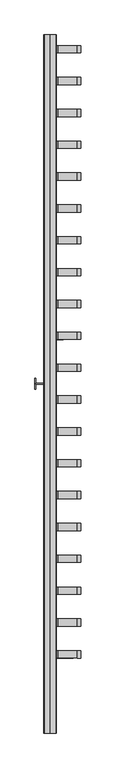
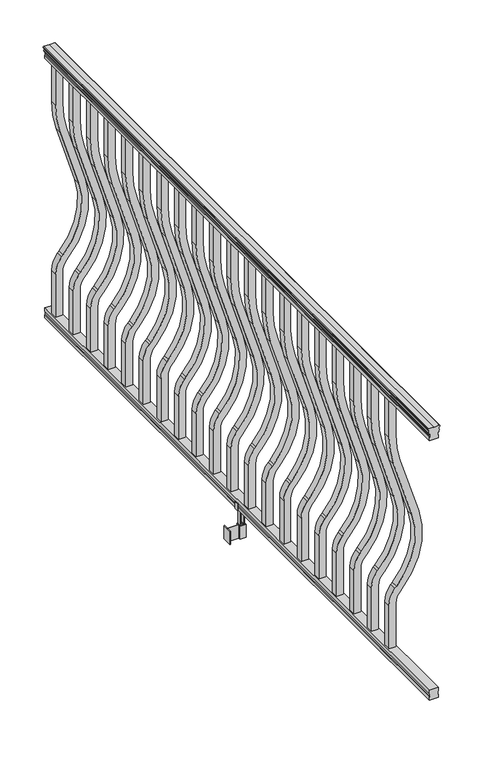
"""IFC4 building model written with IfcOpenShell, lengths in millimetres: railing geometry."""

from ifc_helpers import new_model, si_unit, point, frame, frame_2d, origin, place, context, project, spatial, polyline, circle_curve, trimmed, segment, composite_curve, outline, extrude, source, transform, mapped, element, save


def railing_6e9d0405(model_context):
    return source(origin(), model_context, "Body", "SweptSolid", [
        extrude(outline(composite_curve([segment(polyline([(1090.8043297, 3404.2080205), (1092.692412, 3404.2080205)]), True, "CONTINUOUS"), segment(trimmed(circle_curve(frame_2d((1098.4506383, 3397.8932672)), 8.545951), [point((1092.692412, 3404.2080205))], [point((1094.2546695, 3405.3382068))], False, "CARTESIAN"), True, "CONTINUOUS"), segment(trimmed(circle_curve(frame_2d((1097.8636577, 3398.3303302)), 7.882584), [point((1094.2546695, 3405.3382068))], [point((1101.4726458, 3405.3382068))], False, "CARTESIAN"), True, "CONTINUOUS"), segment(trimmed(circle_curve(frame_2d((1103.7112527, 3408.8436543)), 4.1592695), [point((1101.4726458, 3405.3382068))], [point((1103.9060812, 3404.6889504))], True, "CARTESIAN"), True, "CONTINUOUS"), segment(trimmed(circle_curve(frame_2d((1103.6508864, 3410.1309609)), 5.4479907), [point((1103.9060812, 3404.6889504))], [point((1108.2362083, 3407.1889504))], True, "CARTESIAN"), True, "CONTINUOUS"), segment(trimmed(circle_curve(frame_2d((1108.233395, 3408.8978025)), 1.7088543), [point((1108.2362083, 3407.1889504))], [point((1109.9157972, 3408.5982929))], True, "CARTESIAN"), True, "CONTINUOUS"), segment(trimmed(circle_curve(frame_2d((1111.0205318, 3407.2809024)), 1.7192895), [point((1109.9157972, 3408.5982929))], [point((1111.0205318, 3409.0001919))], False, "CARTESIAN"), True, "CONTINUOUS"), segment(polyline([(1111.0205318, 3409.0001919), (1112.3608158, 3409.0001918)]), True, "CONTINUOUS"), segment(trimmed(circle_curve(frame_2d((1112.3608158, 3407.4467446)), 1.5534472), [point((1112.3608158, 3409.0001918))], [point((1113.914263, 3407.4467446))], False, "CARTESIAN"), True, "CONTINUOUS"), segment(polyline([(1113.914263, 3407.4467446), (1113.914263, 3386.7751918), (1113.914263, 3366.103639)]), True, "CONTINUOUS"), segment(trimmed(circle_curve(frame_2d((1112.3608158, 3366.103639)), 1.5534472), [point((1113.914263, 3366.103639))], [point((1112.3608158, 3364.5501918))], False, "CARTESIAN"), True, "CONTINUOUS"), segment(polyline([(1112.3608158, 3364.5501918), (1111.0205318, 3364.5501918)]), True, "CONTINUOUS"), segment(trimmed(circle_curve(frame_2d((1111.0205318, 3366.2694812)), 1.7192895), [point((1111.0205318, 3364.5501918))], [point((1109.9157972, 3364.9520907))], False, "CARTESIAN"), True, "CONTINUOUS"), segment(trimmed(circle_curve(frame_2d((1108.233395, 3364.6525811)), 1.7088543), [point((1109.9157972, 3364.9520907))], [point((1108.2362083, 3366.3614332))], True, "CARTESIAN"), True, "CONTINUOUS"), segment(trimmed(circle_curve(frame_2d((1103.6508864, 3363.4194227)), 5.4479907), [point((1108.2362083, 3366.3614332))], [point((1103.9060812, 3368.8614332))], True, "CARTESIAN"), True, "CONTINUOUS"), segment(trimmed(circle_curve(frame_2d((1103.7112527, 3364.7067292)), 4.1592695), [point((1103.9060812, 3368.8614332))], [point((1101.4726458, 3368.2121768))], True, "CARTESIAN"), True, "CONTINUOUS"), segment(trimmed(circle_curve(frame_2d((1097.8636577, 3375.2200534)), 7.882584), [point((1101.4726458, 3368.2121768))], [point((1094.2546695, 3368.2121768))], False, "CARTESIAN"), True, "CONTINUOUS"), segment(trimmed(circle_curve(frame_2d((1098.4506383, 3375.6571163)), 8.545951), [point((1094.2546695, 3368.2121768))], [point((1092.692412, 3369.3423631))], False, "CARTESIAN"), True, "CONTINUOUS"), segment(polyline([(1092.692412, 3369.3423631), (1090.8043297, 3369.3423631)]), True, "CONTINUOUS"), segment(trimmed(circle_curve(frame_2d((1090.8043297, 3370.6292774)), 1.2869144), [point((1090.8043297, 3369.3423631))], [point((1090.8043297, 3371.9161918))], False, "CARTESIAN"), True, "CONTINUOUS"), segment(polyline([(1090.8043297, 3371.9161918), (1080.3048283, 3371.9161918), (1079.2888283, 3370.9001918), (1066.8, 3370.9001918), (1066.8, 3402.6501918), (1079.131013, 3402.6501918), (1080.147013, 3401.6341918), (1090.8043297, 3401.6341918)]), True, "CONTINUOUS"), segment(trimmed(circle_curve(frame_2d((1090.8043297, 3402.9211062)), 1.2869144), [point((1090.8043297, 3401.6341918))], [point((1090.8043297, 3404.2080205))], False, "CARTESIAN"), True, "CONTINUOUS")], self_intersect=False)), frame((0.0, -48069.0908968, 0.0), z_axis=(0.0, 1.0, 0.0), x_axis=(0.0, 0.0, 1.0)), (0.0, 0.0, 1.0), 2438.4),
        extrude(outline(polyline([(76.0541976, 3402.6876787), (77.3546183, 3401.6716787), (87.7141717, 3401.6716787), (89.0624492, 3402.6876787), (101.5958781, 3402.6876787), (101.5958781, 3370.9376787), (89.0458024, 3370.9376787), (87.6975248, 3371.9536787), (77.3858283, 3371.9536787), (76.0375508, 3370.9376787), (63.5, 3370.9376787), (63.5, 3402.6876787), (76.0541976, 3402.6876787)])), frame((0.0, -48069.0908968, 0.0), z_axis=(0.0, 1.0, 0.0), x_axis=(0.0, 0.0, 1.0)), (0.0, 0.0, 1.0), 2438.4),
        extrude(outline(composite_curve([segment(polyline([(921.03216, 3399.4751918), (1066.8, 3399.4751918), (1066.8, 3374.0751918), (921.03216, 3374.0751918)]), True, "CONTINUOUS"), segment(trimmed(circle_curve(frame_2d((921.03216, 3746.7751918)), 372.7), [point((921.03216, 3374.0751918))], [point((812.0652257, 3390.3604092))], False, "CARTESIAN"), True, "CONTINUOUS"), segment(polyline([(812.0652257, 3390.3604092), (590.2121964, 3458.1876871)]), True, "CONTINUOUS"), segment(trimmed(circle_curve(frame_2d((512.0612397, 3202.5674258)), 267.3), [point((590.2121964, 3458.1876871))], [point((333.9522516, 3401.8824486))], True, "CARTESIAN"), True, "CONTINUOUS"), segment(polyline([(333.9522516, 3401.8824486), (327.7955374, 3396.3807754)]), True, "CONTINUOUS"), segment(trimmed(circle_curve(frame_2d((269.3587313, 3461.7751918)), 87.7), [point((327.7955374, 3396.3807754))], [point((269.3587313, 3374.0751918))], False, "CARTESIAN"), True, "CONTINUOUS"), segment(polyline([(269.3587313, 3374.0751918), (101.5958781, 3374.0751918), (101.5958781, 3399.4751918), (269.3587313, 3399.4751918)]), True, "CONTINUOUS"), segment(trimmed(circle_curve(frame_2d((269.3587313, 3461.7751918)), 62.3), [point((269.3587313, 3399.4751918))], [point((310.8708524, 3415.3205494))], True, "CARTESIAN"), True, "CONTINUOUS"), segment(polyline([(310.8708524, 3415.3205494), (317.0275666, 3420.8222226)]), True, "CONTINUOUS"), segment(trimmed(circle_curve(frame_2d((512.0612397, 3202.5674258)), 292.7), [point((317.0275666, 3420.8222226))], [point((597.6384377, 3482.4778279))], False, "CARTESIAN"), True, "CONTINUOUS"), segment(polyline([(597.6384377, 3482.4778279), (819.491467, 3414.65055)]), True, "CONTINUOUS"), segment(trimmed(circle_curve(frame_2d((921.03216, 3746.7751918)), 347.3), [point((819.491467, 3414.65055))], [point((921.03216, 3399.4751918))], True, "CARTESIAN"), True, "CONTINUOUS")], self_intersect=False)), frame((0.0, -45693.1748968, 0.0), z_axis=(0.0, 1.0, 0.0), x_axis=(0.0, 0.0, 1.0)), (0.0, 0.0, 1.0), 25.4),
        extrude(outline(composite_curve([segment(polyline([(921.03216, 3399.4751918), (1066.8, 3399.4751918), (1066.8, 3374.0751918), (921.03216, 3374.0751918)]), True, "CONTINUOUS"), segment(trimmed(circle_curve(frame_2d((921.03216, 3746.7751918)), 372.7), [point((921.03216, 3374.0751918))], [point((812.0652257, 3390.3604092))], False, "CARTESIAN"), True, "CONTINUOUS"), segment(polyline([(812.0652257, 3390.3604092), (590.2121964, 3458.1876871)]), True, "CONTINUOUS"), segment(trimmed(circle_curve(frame_2d((512.0612397, 3202.5674258)), 267.3), [point((590.2121964, 3458.1876871))], [point((333.9522516, 3401.8824486))], True, "CARTESIAN"), True, "CONTINUOUS"), segment(polyline([(333.9522516, 3401.8824486), (327.7955374, 3396.3807754)]), True, "CONTINUOUS"), segment(trimmed(circle_curve(frame_2d((269.3587313, 3461.7751918)), 87.7), [point((327.7955374, 3396.3807754))], [point((269.3587313, 3374.0751918))], False, "CARTESIAN"), True, "CONTINUOUS"), segment(polyline([(269.3587313, 3374.0751918), (101.5958781, 3374.0751918), (101.5958781, 3399.4751918), (269.3587313, 3399.4751918)]), True, "CONTINUOUS"), segment(trimmed(circle_curve(frame_2d((269.3587313, 3461.7751918)), 62.3), [point((269.3587313, 3399.4751918))], [point((310.8708524, 3415.3205494))], True, "CARTESIAN"), True, "CONTINUOUS"), segment(polyline([(310.8708524, 3415.3205494), (317.0275666, 3420.8222226)]), True, "CONTINUOUS"), segment(trimmed(circle_curve(frame_2d((512.0612397, 3202.5674258)), 292.7), [point((317.0275666, 3420.8222226))], [point((597.6384377, 3482.4778279))], False, "CARTESIAN"), True, "CONTINUOUS"), segment(polyline([(597.6384377, 3482.4778279), (819.491467, 3414.65055)]), True, "CONTINUOUS"), segment(trimmed(circle_curve(frame_2d((921.03216, 3746.7751918)), 347.3), [point((819.491467, 3414.65055))], [point((921.03216, 3399.4751918))], True, "CARTESIAN"), True, "CONTINUOUS")], self_intersect=False)), frame((0.0, -45804.4268968, 0.0), z_axis=(0.0, 1.0, 0.0), x_axis=(0.0, 0.0, 1.0)), (0.0, 0.0, 1.0), 25.4),
        extrude(outline(composite_curve([segment(polyline([(921.03216, 3399.4751918), (1066.8, 3399.4751918), (1066.8, 3374.0751918), (921.03216, 3374.0751918)]), True, "CONTINUOUS"), segment(trimmed(circle_curve(frame_2d((921.03216, 3746.7751918)), 372.7), [point((921.03216, 3374.0751918))], [point((812.0652257, 3390.3604092))], False, "CARTESIAN"), True, "CONTINUOUS"), segment(polyline([(812.0652257, 3390.3604092), (590.2121964, 3458.1876871)]), True, "CONTINUOUS"), segment(trimmed(circle_curve(frame_2d((512.0612397, 3202.5674258)), 267.3), [point((590.2121964, 3458.1876871))], [point((333.9522516, 3401.8824486))], True, "CARTESIAN"), True, "CONTINUOUS"), segment(polyline([(333.9522516, 3401.8824486), (327.7955374, 3396.3807754)]), True, "CONTINUOUS"), segment(trimmed(circle_curve(frame_2d((269.3587313, 3461.7751918)), 87.7), [point((327.7955374, 3396.3807754))], [point((269.3587313, 3374.0751918))], False, "CARTESIAN"), True, "CONTINUOUS"), segment(polyline([(269.3587313, 3374.0751918), (101.5958781, 3374.0751918), (101.5958781, 3399.4751918), (269.3587313, 3399.4751918)]), True, "CONTINUOUS"), segment(trimmed(circle_curve(frame_2d((269.3587313, 3461.7751918)), 62.3), [point((269.3587313, 3399.4751918))], [point((310.8708524, 3415.3205494))], True, "CARTESIAN"), True, "CONTINUOUS"), segment(polyline([(310.8708524, 3415.3205494), (317.0275666, 3420.8222226)]), True, "CONTINUOUS"), segment(trimmed(circle_curve(frame_2d((512.0612397, 3202.5674258)), 292.7), [point((317.0275666, 3420.8222226))], [point((597.6384377, 3482.4778279))], False, "CARTESIAN"), True, "CONTINUOUS"), segment(polyline([(597.6384377, 3482.4778279), (819.491467, 3414.65055)]), True, "CONTINUOUS"), segment(trimmed(circle_curve(frame_2d((921.03216, 3746.7751918)), 347.3), [point((819.491467, 3414.65055))], [point((921.03216, 3399.4751918))], True, "CARTESIAN"), True, "CONTINUOUS")], self_intersect=False)), frame((0.0, -45915.6788968, 0.0), z_axis=(0.0, 1.0, 0.0), x_axis=(0.0, 0.0, 1.0)), (0.0, 0.0, 1.0), 25.4),
        extrude(outline(composite_curve([segment(polyline([(921.03216, 3399.4751918), (1066.8, 3399.4751918), (1066.8, 3374.0751918), (921.03216, 3374.0751918)]), True, "CONTINUOUS"), segment(trimmed(circle_curve(frame_2d((921.03216, 3746.7751918)), 372.7), [point((921.03216, 3374.0751918))], [point((812.0652257, 3390.3604092))], False, "CARTESIAN"), True, "CONTINUOUS"), segment(polyline([(812.0652257, 3390.3604092), (590.2121964, 3458.1876871)]), True, "CONTINUOUS"), segment(trimmed(circle_curve(frame_2d((512.0612397, 3202.5674258)), 267.3), [point((590.2121964, 3458.1876871))], [point((333.9522516, 3401.8824486))], True, "CARTESIAN"), True, "CONTINUOUS"), segment(polyline([(333.9522516, 3401.8824486), (327.7955374, 3396.3807754)]), True, "CONTINUOUS"), segment(trimmed(circle_curve(frame_2d((269.3587313, 3461.7751918)), 87.7), [point((327.7955374, 3396.3807754))], [point((269.3587313, 3374.0751918))], False, "CARTESIAN"), True, "CONTINUOUS"), segment(polyline([(269.3587313, 3374.0751918), (101.5958781, 3374.0751918), (101.5958781, 3399.4751918), (269.3587313, 3399.4751918)]), True, "CONTINUOUS"), segment(trimmed(circle_curve(frame_2d((269.3587313, 3461.7751918)), 62.3), [point((269.3587313, 3399.4751918))], [point((310.8708524, 3415.3205494))], True, "CARTESIAN"), True, "CONTINUOUS"), segment(polyline([(310.8708524, 3415.3205494), (317.0275666, 3420.8222226)]), True, "CONTINUOUS"), segment(trimmed(circle_curve(frame_2d((512.0612397, 3202.5674258)), 292.7), [point((317.0275666, 3420.8222226))], [point((597.6384377, 3482.4778279))], False, "CARTESIAN"), True, "CONTINUOUS"), segment(polyline([(597.6384377, 3482.4778279), (819.491467, 3414.65055)]), True, "CONTINUOUS"), segment(trimmed(circle_curve(frame_2d((921.03216, 3746.7751918)), 347.3), [point((819.491467, 3414.65055))], [point((921.03216, 3399.4751918))], True, "CARTESIAN"), True, "CONTINUOUS")], self_intersect=False)), frame((0.0, -46026.9308968, 0.0), z_axis=(0.0, 1.0, 0.0), x_axis=(0.0, 0.0, 1.0)), (0.0, 0.0, 1.0), 25.4),
        extrude(outline(composite_curve([segment(polyline([(921.03216, 3399.4751918), (1066.8, 3399.4751918), (1066.8, 3374.0751918), (921.03216, 3374.0751918)]), True, "CONTINUOUS"), segment(trimmed(circle_curve(frame_2d((921.03216, 3746.7751918)), 372.7), [point((921.03216, 3374.0751918))], [point((812.0652257, 3390.3604092))], False, "CARTESIAN"), True, "CONTINUOUS"), segment(polyline([(812.0652257, 3390.3604092), (590.2121964, 3458.1876871)]), True, "CONTINUOUS"), segment(trimmed(circle_curve(frame_2d((512.0612397, 3202.5674258)), 267.3), [point((590.2121964, 3458.1876871))], [point((333.9522516, 3401.8824486))], True, "CARTESIAN"), True, "CONTINUOUS"), segment(polyline([(333.9522516, 3401.8824486), (327.7955374, 3396.3807754)]), True, "CONTINUOUS"), segment(trimmed(circle_curve(frame_2d((269.3587313, 3461.7751918)), 87.7), [point((327.7955374, 3396.3807754))], [point((269.3587313, 3374.0751918))], False, "CARTESIAN"), True, "CONTINUOUS"), segment(polyline([(269.3587313, 3374.0751918), (101.5958781, 3374.0751918), (101.5958781, 3399.4751918), (269.3587313, 3399.4751918)]), True, "CONTINUOUS"), segment(trimmed(circle_curve(frame_2d((269.3587313, 3461.7751918)), 62.3), [point((269.3587313, 3399.4751918))], [point((310.8708524, 3415.3205494))], True, "CARTESIAN"), True, "CONTINUOUS"), segment(polyline([(310.8708524, 3415.3205494), (317.0275666, 3420.8222226)]), True, "CONTINUOUS"), segment(trimmed(circle_curve(frame_2d((512.0612397, 3202.5674258)), 292.7), [point((317.0275666, 3420.8222226))], [point((597.6384377, 3482.4778279))], False, "CARTESIAN"), True, "CONTINUOUS"), segment(polyline([(597.6384377, 3482.4778279), (819.491467, 3414.65055)]), True, "CONTINUOUS"), segment(trimmed(circle_curve(frame_2d((921.03216, 3746.7751918)), 347.3), [point((819.491467, 3414.65055))], [point((921.03216, 3399.4751918))], True, "CARTESIAN"), True, "CONTINUOUS")], self_intersect=False)), frame((0.0, -46138.1828968, 0.0), z_axis=(0.0, 1.0, 0.0), x_axis=(0.0, 0.0, 1.0)), (0.0, 0.0, 1.0), 25.4),
        extrude(outline(composite_curve([segment(polyline([(921.03216, 3399.4751918), (1066.8, 3399.4751918), (1066.8, 3374.0751918), (921.03216, 3374.0751918)]), True, "CONTINUOUS"), segment(trimmed(circle_curve(frame_2d((921.03216, 3746.7751918)), 372.7), [point((921.03216, 3374.0751918))], [point((812.0652257, 3390.3604092))], False, "CARTESIAN"), True, "CONTINUOUS"), segment(polyline([(812.0652257, 3390.3604092), (590.2121964, 3458.1876871)]), True, "CONTINUOUS"), segment(trimmed(circle_curve(frame_2d((512.0612397, 3202.5674258)), 267.3), [point((590.2121964, 3458.1876871))], [point((333.9522516, 3401.8824486))], True, "CARTESIAN"), True, "CONTINUOUS"), segment(polyline([(333.9522516, 3401.8824486), (327.7955374, 3396.3807754)]), True, "CONTINUOUS"), segment(trimmed(circle_curve(frame_2d((269.3587313, 3461.7751918)), 87.7), [point((327.7955374, 3396.3807754))], [point((269.3587313, 3374.0751918))], False, "CARTESIAN"), True, "CONTINUOUS"), segment(polyline([(269.3587313, 3374.0751918), (101.5958781, 3374.0751918), (101.5958781, 3399.4751918), (269.3587313, 3399.4751918)]), True, "CONTINUOUS"), segment(trimmed(circle_curve(frame_2d((269.3587313, 3461.7751918)), 62.3), [point((269.3587313, 3399.4751918))], [point((310.8708524, 3415.3205494))], True, "CARTESIAN"), True, "CONTINUOUS"), segment(polyline([(310.8708524, 3415.3205494), (317.0275666, 3420.8222226)]), True, "CONTINUOUS"), segment(trimmed(circle_curve(frame_2d((512.0612397, 3202.5674258)), 292.7), [point((317.0275666, 3420.8222226))], [point((597.6384377, 3482.4778279))], False, "CARTESIAN"), True, "CONTINUOUS"), segment(polyline([(597.6384377, 3482.4778279), (819.491467, 3414.65055)]), True, "CONTINUOUS"), segment(trimmed(circle_curve(frame_2d((921.03216, 3746.7751918)), 347.3), [point((819.491467, 3414.65055))], [point((921.03216, 3399.4751918))], True, "CARTESIAN"), True, "CONTINUOUS")], self_intersect=False)), frame((0.0, -46249.4348968, 0.0), z_axis=(0.0, 1.0, 0.0), x_axis=(0.0, 0.0, 1.0)), (0.0, 0.0, 1.0), 25.4),
        extrude(outline(composite_curve([segment(polyline([(921.03216, 3399.4751918), (1066.8, 3399.4751918), (1066.8, 3374.0751918), (921.03216, 3374.0751918)]), True, "CONTINUOUS"), segment(trimmed(circle_curve(frame_2d((921.03216, 3746.7751918)), 372.7), [point((921.03216, 3374.0751918))], [point((812.0652257, 3390.3604092))], False, "CARTESIAN"), True, "CONTINUOUS"), segment(polyline([(812.0652257, 3390.3604092), (590.2121964, 3458.1876871)]), True, "CONTINUOUS"), segment(trimmed(circle_curve(frame_2d((512.0612397, 3202.5674258)), 267.3), [point((590.2121964, 3458.1876871))], [point((333.9522516, 3401.8824486))], True, "CARTESIAN"), True, "CONTINUOUS"), segment(polyline([(333.9522516, 3401.8824486), (327.7955374, 3396.3807754)]), True, "CONTINUOUS"), segment(trimmed(circle_curve(frame_2d((269.3587313, 3461.7751918)), 87.7), [point((327.7955374, 3396.3807754))], [point((269.3587313, 3374.0751918))], False, "CARTESIAN"), True, "CONTINUOUS"), segment(polyline([(269.3587313, 3374.0751918), (101.5958781, 3374.0751918), (101.5958781, 3399.4751918), (269.3587313, 3399.4751918)]), True, "CONTINUOUS"), segment(trimmed(circle_curve(frame_2d((269.3587313, 3461.7751918)), 62.3), [point((269.3587313, 3399.4751918))], [point((310.8708524, 3415.3205494))], True, "CARTESIAN"), True, "CONTINUOUS"), segment(polyline([(310.8708524, 3415.3205494), (317.0275666, 3420.8222226)]), True, "CONTINUOUS"), segment(trimmed(circle_curve(frame_2d((512.0612397, 3202.5674258)), 292.7), [point((317.0275666, 3420.8222226))], [point((597.6384377, 3482.4778279))], False, "CARTESIAN"), True, "CONTINUOUS"), segment(polyline([(597.6384377, 3482.4778279), (819.491467, 3414.65055)]), True, "CONTINUOUS"), segment(trimmed(circle_curve(frame_2d((921.03216, 3746.7751918)), 347.3), [point((819.491467, 3414.65055))], [point((921.03216, 3399.4751918))], True, "CARTESIAN"), True, "CONTINUOUS")], self_intersect=False)), frame((0.0, -46360.6868968, 0.0), z_axis=(0.0, 1.0, 0.0), x_axis=(0.0, 0.0, 1.0)), (0.0, 0.0, 1.0), 25.4),
        extrude(outline(composite_curve([segment(polyline([(921.03216, 3399.4751918), (1066.8, 3399.4751918), (1066.8, 3374.0751918), (921.03216, 3374.0751918)]), True, "CONTINUOUS"), segment(trimmed(circle_curve(frame_2d((921.03216, 3746.7751918)), 372.7), [point((921.03216, 3374.0751918))], [point((812.0652257, 3390.3604092))], False, "CARTESIAN"), True, "CONTINUOUS"), segment(polyline([(812.0652257, 3390.3604092), (590.2121964, 3458.1876871)]), True, "CONTINUOUS"), segment(trimmed(circle_curve(frame_2d((512.0612397, 3202.5674258)), 267.3), [point((590.2121964, 3458.1876871))], [point((333.9522516, 3401.8824486))], True, "CARTESIAN"), True, "CONTINUOUS"), segment(polyline([(333.9522516, 3401.8824486), (327.7955374, 3396.3807754)]), True, "CONTINUOUS"), segment(trimmed(circle_curve(frame_2d((269.3587313, 3461.7751918)), 87.7), [point((327.7955374, 3396.3807754))], [point((269.3587313, 3374.0751918))], False, "CARTESIAN"), True, "CONTINUOUS"), segment(polyline([(269.3587313, 3374.0751918), (101.5958781, 3374.0751918), (101.5958781, 3399.4751918), (269.3587313, 3399.4751918)]), True, "CONTINUOUS"), segment(trimmed(circle_curve(frame_2d((269.3587313, 3461.7751918)), 62.3), [point((269.3587313, 3399.4751918))], [point((310.8708524, 3415.3205494))], True, "CARTESIAN"), True, "CONTINUOUS"), segment(polyline([(310.8708524, 3415.3205494), (317.0275666, 3420.8222226)]), True, "CONTINUOUS"), segment(trimmed(circle_curve(frame_2d((512.0612397, 3202.5674258)), 292.7), [point((317.0275666, 3420.8222226))], [point((597.6384377, 3482.4778279))], False, "CARTESIAN"), True, "CONTINUOUS"), segment(polyline([(597.6384377, 3482.4778279), (819.491467, 3414.65055)]), True, "CONTINUOUS"), segment(trimmed(circle_curve(frame_2d((921.03216, 3746.7751918)), 347.3), [point((819.491467, 3414.65055))], [point((921.03216, 3399.4751918))], True, "CARTESIAN"), True, "CONTINUOUS")], self_intersect=False)), frame((0.0, -46471.9388968, 0.0), z_axis=(0.0, 1.0, 0.0), x_axis=(0.0, 0.0, 1.0)), (0.0, 0.0, 1.0), 25.4),
        extrude(outline(composite_curve([segment(polyline([(921.03216, 3399.4751918), (1066.8, 3399.4751918), (1066.8, 3374.0751918), (921.03216, 3374.0751918)]), True, "CONTINUOUS"), segment(trimmed(circle_curve(frame_2d((921.03216, 3746.7751918)), 372.7), [point((921.03216, 3374.0751918))], [point((812.0652257, 3390.3604092))], False, "CARTESIAN"), True, "CONTINUOUS"), segment(polyline([(812.0652257, 3390.3604092), (590.2121964, 3458.1876871)]), True, "CONTINUOUS"), segment(trimmed(circle_curve(frame_2d((512.0612397, 3202.5674258)), 267.3), [point((590.2121964, 3458.1876871))], [point((333.9522516, 3401.8824486))], True, "CARTESIAN"), True, "CONTINUOUS"), segment(polyline([(333.9522516, 3401.8824486), (327.7955374, 3396.3807754)]), True, "CONTINUOUS"), segment(trimmed(circle_curve(frame_2d((269.3587313, 3461.7751918)), 87.7), [point((327.7955374, 3396.3807754))], [point((269.3587313, 3374.0751918))], False, "CARTESIAN"), True, "CONTINUOUS"), segment(polyline([(269.3587313, 3374.0751918), (101.5958781, 3374.0751918), (101.5958781, 3399.4751918), (269.3587313, 3399.4751918)]), True, "CONTINUOUS"), segment(trimmed(circle_curve(frame_2d((269.3587313, 3461.7751918)), 62.3), [point((269.3587313, 3399.4751918))], [point((310.8708524, 3415.3205494))], True, "CARTESIAN"), True, "CONTINUOUS"), segment(polyline([(310.8708524, 3415.3205494), (317.0275666, 3420.8222226)]), True, "CONTINUOUS"), segment(trimmed(circle_curve(frame_2d((512.0612397, 3202.5674258)), 292.7), [point((317.0275666, 3420.8222226))], [point((597.6384377, 3482.4778279))], False, "CARTESIAN"), True, "CONTINUOUS"), segment(polyline([(597.6384377, 3482.4778279), (819.491467, 3414.65055)]), True, "CONTINUOUS"), segment(trimmed(circle_curve(frame_2d((921.03216, 3746.7751918)), 347.3), [point((819.491467, 3414.65055))], [point((921.03216, 3399.4751918))], True, "CARTESIAN"), True, "CONTINUOUS")], self_intersect=False)), frame((0.0, -46583.1908968, 0.0), z_axis=(0.0, 1.0, 0.0), x_axis=(0.0, 0.0, 1.0)), (0.0, 0.0, 1.0), 25.4),
        extrude(outline(composite_curve([segment(polyline([(921.03216, 3399.4751918), (1066.8, 3399.4751918), (1066.8, 3374.0751918), (921.03216, 3374.0751918)]), True, "CONTINUOUS"), segment(trimmed(circle_curve(frame_2d((921.03216, 3746.7751918)), 372.7), [point((921.03216, 3374.0751918))], [point((812.0652257, 3390.3604092))], False, "CARTESIAN"), True, "CONTINUOUS"), segment(polyline([(812.0652257, 3390.3604092), (590.2121964, 3458.1876871)]), True, "CONTINUOUS"), segment(trimmed(circle_curve(frame_2d((512.0612397, 3202.5674258)), 267.3), [point((590.2121964, 3458.1876871))], [point((333.9522516, 3401.8824486))], True, "CARTESIAN"), True, "CONTINUOUS"), segment(polyline([(333.9522516, 3401.8824486), (327.7955374, 3396.3807754)]), True, "CONTINUOUS"), segment(trimmed(circle_curve(frame_2d((269.3587313, 3461.7751918)), 87.7), [point((327.7955374, 3396.3807754))], [point((269.3587313, 3374.0751918))], False, "CARTESIAN"), True, "CONTINUOUS"), segment(polyline([(269.3587313, 3374.0751918), (101.5958781, 3374.0751918), (101.5958781, 3399.4751918), (269.3587313, 3399.4751918)]), True, "CONTINUOUS"), segment(trimmed(circle_curve(frame_2d((269.3587313, 3461.7751918)), 62.3), [point((269.3587313, 3399.4751918))], [point((310.8708524, 3415.3205494))], True, "CARTESIAN"), True, "CONTINUOUS"), segment(polyline([(310.8708524, 3415.3205494), (317.0275666, 3420.8222226)]), True, "CONTINUOUS"), segment(trimmed(circle_curve(frame_2d((512.0612397, 3202.5674258)), 292.7), [point((317.0275666, 3420.8222226))], [point((597.6384377, 3482.4778279))], False, "CARTESIAN"), True, "CONTINUOUS"), segment(polyline([(597.6384377, 3482.4778279), (819.491467, 3414.65055)]), True, "CONTINUOUS"), segment(trimmed(circle_curve(frame_2d((921.03216, 3746.7751918)), 347.3), [point((819.491467, 3414.65055))], [point((921.03216, 3399.4751918))], True, "CARTESIAN"), True, "CONTINUOUS")], self_intersect=False)), frame((0.0, -46694.4428968, 0.0), z_axis=(0.0, 1.0, 0.0), x_axis=(0.0, 0.0, 1.0)), (0.0, 0.0, 1.0), 25.4),
        extrude(outline(composite_curve([segment(polyline([(921.03216, 3399.4751918), (1066.8, 3399.4751918), (1066.8, 3374.0751918), (921.03216, 3374.0751918)]), True, "CONTINUOUS"), segment(trimmed(circle_curve(frame_2d((921.03216, 3746.7751918)), 372.7), [point((921.03216, 3374.0751918))], [point((812.0652257, 3390.3604092))], False, "CARTESIAN"), True, "CONTINUOUS"), segment(polyline([(812.0652257, 3390.3604092), (590.2121964, 3458.1876871)]), True, "CONTINUOUS"), segment(trimmed(circle_curve(frame_2d((512.0612397, 3202.5674258)), 267.3), [point((590.2121964, 3458.1876871))], [point((333.9522516, 3401.8824486))], True, "CARTESIAN"), True, "CONTINUOUS"), segment(polyline([(333.9522516, 3401.8824486), (327.7955374, 3396.3807754)]), True, "CONTINUOUS"), segment(trimmed(circle_curve(frame_2d((269.3587313, 3461.7751918)), 87.7), [point((327.7955374, 3396.3807754))], [point((269.3587313, 3374.0751918))], False, "CARTESIAN"), True, "CONTINUOUS"), segment(polyline([(269.3587313, 3374.0751918), (101.5958781, 3374.0751918), (101.5958781, 3399.4751918), (269.3587313, 3399.4751918)]), True, "CONTINUOUS"), segment(trimmed(circle_curve(frame_2d((269.3587313, 3461.7751918)), 62.3), [point((269.3587313, 3399.4751918))], [point((310.8708524, 3415.3205494))], True, "CARTESIAN"), True, "CONTINUOUS"), segment(polyline([(310.8708524, 3415.3205494), (317.0275666, 3420.8222226)]), True, "CONTINUOUS"), segment(trimmed(circle_curve(frame_2d((512.0612397, 3202.5674258)), 292.7), [point((317.0275666, 3420.8222226))], [point((597.6384377, 3482.4778279))], False, "CARTESIAN"), True, "CONTINUOUS"), segment(polyline([(597.6384377, 3482.4778279), (819.491467, 3414.65055)]), True, "CONTINUOUS"), segment(trimmed(circle_curve(frame_2d((921.03216, 3746.7751918)), 347.3), [point((819.491467, 3414.65055))], [point((921.03216, 3399.4751918))], True, "CARTESIAN"), True, "CONTINUOUS")], self_intersect=False)), frame((0.0, -46805.6948968, 0.0), z_axis=(0.0, 1.0, 0.0), x_axis=(0.0, 0.0, 1.0)), (0.0, 0.0, 1.0), 25.4),
        extrude(outline(polyline([(3376.107192, -46849.8908968), (3336.7371918, -46849.8908968), (3336.7371918, -46847.3508968), (3376.107192, -46847.3508968), (3376.107192, -46849.8908968)])), frame((0.0, 0.0, -50.8), z_axis=(0.0, 0.0, 1.0), x_axis=(1.0, 0.0, 0.0)), (0.0, 0.0, 1.0), 50.8),
        extrude(outline(polyline([(3336.7371918, -46867.6708968), (3334.1971918, -46867.6708968), (3334.1971918, -46829.5708968), (3336.7371918, -46829.5708968), (3336.7371918, -46867.6708968)])), frame((0.0, 0.0, -50.8), z_axis=(0.0, 0.0, 1.0), x_axis=(1.0, 0.0, 0.0)), (0.0, 0.0, 1.0), 50.8),
        extrude(outline(polyline([(3397.4431925, -46858.5268968), (3376.107192, -46858.5268968), (3376.107192, -46838.7148968), (3397.4431925, -46838.7148968), (3397.4431925, -46858.5268968)]), holes=[polyline([(3394.1411924, -46855.9868968), (3394.1411924, -46841.2548968), (3379.4091921, -46841.2548968), (3379.4091921, -46855.9868968), (3394.1411924, -46855.9868968)])]), frame((0.0, 0.0, -50.8), z_axis=(0.0, 0.0, 1.0), x_axis=(1.0, 0.0, 0.0)), (0.0, 0.0, 1.0), 50.8),
        extrude(outline(polyline([(88.7203979, 3368.614193), (87.9583969, 3367.8521919), (61.4680023, 3367.8521919), (60.7060013, 3368.614193), (60.7060013, 3378.647192), (59.9440012, 3379.4091921), (-3.5559988, 3379.4091921), (-3.5559988, 3394.1411924), (59.9440012, 3394.1411924), (60.7060013, 3394.9031925), (60.7060013, 3404.9361916), (61.4680023, 3405.6981926), (87.9583969, 3405.6981926), (88.7203979, 3404.9361916), (88.7203979, 3402.904192), (87.7043953, 3401.8881922), (77.2686081, 3401.8881922), (76.2526073, 3402.904192), (64.262001, 3402.904192), (63.5000019, 3402.1421928), (63.5000019, 3371.4081917), (64.262001, 3370.6461926), (76.2526073, 3370.6461926), (77.2686081, 3371.6621924), (87.7043953, 3371.6621924), (88.7203979, 3370.6461926), (88.7203979, 3368.614193)]), holes=[polyline([(60.7060013, 3390.2041922), (59.9440012, 3390.9661923), (3.9370031, 3390.9661923), (3.1750031, 3390.2041922), (3.1750031, 3383.3461895), (3.9370003, 3382.5841923), (59.9440012, 3382.5841923), (60.7060013, 3383.3461924), (60.7060013, 3390.2041922)])]), frame((0.0, -46855.9868968, 0.0), z_axis=(0.0, 1.0, 0.0), x_axis=(0.0, 0.0, 1.0)), (0.0, 0.0, 1.0), 14.732),
        extrude(outline(composite_curve([segment(polyline([(921.03216, 3399.4751918), (1066.8, 3399.4751918), (1066.8, 3374.0751918), (921.03216, 3374.0751918)]), True, "CONTINUOUS"), segment(trimmed(circle_curve(frame_2d((921.03216, 3746.7751918)), 372.7), [point((921.03216, 3374.0751918))], [point((812.0652257, 3390.3604092))], False, "CARTESIAN"), True, "CONTINUOUS"), segment(polyline([(812.0652257, 3390.3604092), (590.2121964, 3458.1876871)]), True, "CONTINUOUS"), segment(trimmed(circle_curve(frame_2d((512.0612397, 3202.5674258)), 267.3), [point((590.2121964, 3458.1876871))], [point((333.9522516, 3401.8824486))], True, "CARTESIAN"), True, "CONTINUOUS"), segment(polyline([(333.9522516, 3401.8824486), (327.7955374, 3396.3807754)]), True, "CONTINUOUS"), segment(trimmed(circle_curve(frame_2d((269.3587313, 3461.7751918)), 87.7), [point((327.7955374, 3396.3807754))], [point((269.3587313, 3374.0751918))], False, "CARTESIAN"), True, "CONTINUOUS"), segment(polyline([(269.3587313, 3374.0751918), (101.5958781, 3374.0751918), (101.5958781, 3399.4751918), (269.3587313, 3399.4751918)]), True, "CONTINUOUS"), segment(trimmed(circle_curve(frame_2d((269.3587313, 3461.7751918)), 62.3), [point((269.3587313, 3399.4751918))], [point((310.8708524, 3415.3205494))], True, "CARTESIAN"), True, "CONTINUOUS"), segment(polyline([(310.8708524, 3415.3205494), (317.0275666, 3420.8222226)]), True, "CONTINUOUS"), segment(trimmed(circle_curve(frame_2d((512.0612397, 3202.5674258)), 292.7), [point((317.0275666, 3420.8222226))], [point((597.6384377, 3482.4778279))], False, "CARTESIAN"), True, "CONTINUOUS"), segment(polyline([(597.6384377, 3482.4778279), (819.491467, 3414.65055)]), True, "CONTINUOUS"), segment(trimmed(circle_curve(frame_2d((921.03216, 3746.7751918)), 347.3), [point((819.491467, 3414.65055))], [point((921.03216, 3399.4751918))], True, "CARTESIAN"), True, "CONTINUOUS")], self_intersect=False)), frame((0.0, -46916.9468968, 0.0), z_axis=(0.0, 1.0, 0.0), x_axis=(0.0, 0.0, 1.0)), (0.0, 0.0, 1.0), 25.4),
        extrude(outline(composite_curve([segment(polyline([(921.03216, 3399.4751918), (1066.8, 3399.4751918), (1066.8, 3374.0751918), (921.03216, 3374.0751918)]), True, "CONTINUOUS"), segment(trimmed(circle_curve(frame_2d((921.03216, 3746.7751918)), 372.7), [point((921.03216, 3374.0751918))], [point((812.0652257, 3390.3604092))], False, "CARTESIAN"), True, "CONTINUOUS"), segment(polyline([(812.0652257, 3390.3604092), (590.2121964, 3458.1876871)]), True, "CONTINUOUS"), segment(trimmed(circle_curve(frame_2d((512.0612397, 3202.5674258)), 267.3), [point((590.2121964, 3458.1876871))], [point((333.9522516, 3401.8824486))], True, "CARTESIAN"), True, "CONTINUOUS"), segment(polyline([(333.9522516, 3401.8824486), (327.7955374, 3396.3807754)]), True, "CONTINUOUS"), segment(trimmed(circle_curve(frame_2d((269.3587313, 3461.7751918)), 87.7), [point((327.7955374, 3396.3807754))], [point((269.3587313, 3374.0751918))], False, "CARTESIAN"), True, "CONTINUOUS"), segment(polyline([(269.3587313, 3374.0751918), (101.5958781, 3374.0751918), (101.5958781, 3399.4751918), (269.3587313, 3399.4751918)]), True, "CONTINUOUS"), segment(trimmed(circle_curve(frame_2d((269.3587313, 3461.7751918)), 62.3), [point((269.3587313, 3399.4751918))], [point((310.8708524, 3415.3205494))], True, "CARTESIAN"), True, "CONTINUOUS"), segment(polyline([(310.8708524, 3415.3205494), (317.0275666, 3420.8222226)]), True, "CONTINUOUS"), segment(trimmed(circle_curve(frame_2d((512.0612397, 3202.5674258)), 292.7), [point((317.0275666, 3420.8222226))], [point((597.6384377, 3482.4778279))], False, "CARTESIAN"), True, "CONTINUOUS"), segment(polyline([(597.6384377, 3482.4778279), (819.491467, 3414.65055)]), True, "CONTINUOUS"), segment(trimmed(circle_curve(frame_2d((921.03216, 3746.7751918)), 347.3), [point((819.491467, 3414.65055))], [point((921.03216, 3399.4751918))], True, "CARTESIAN"), True, "CONTINUOUS")], self_intersect=False)), frame((0.0, -47028.1988968, 0.0), z_axis=(0.0, 1.0, 0.0), x_axis=(0.0, 0.0, 1.0)), (0.0, 0.0, 1.0), 25.4),
        extrude(outline(composite_curve([segment(polyline([(921.03216, 3399.4751918), (1066.8, 3399.4751918), (1066.8, 3374.0751918), (921.03216, 3374.0751918)]), True, "CONTINUOUS"), segment(trimmed(circle_curve(frame_2d((921.03216, 3746.7751918)), 372.7), [point((921.03216, 3374.0751918))], [point((812.0652257, 3390.3604092))], False, "CARTESIAN"), True, "CONTINUOUS"), segment(polyline([(812.0652257, 3390.3604092), (590.2121964, 3458.1876871)]), True, "CONTINUOUS"), segment(trimmed(circle_curve(frame_2d((512.0612397, 3202.5674258)), 267.3), [point((590.2121964, 3458.1876871))], [point((333.9522516, 3401.8824486))], True, "CARTESIAN"), True, "CONTINUOUS"), segment(polyline([(333.9522516, 3401.8824486), (327.7955374, 3396.3807754)]), True, "CONTINUOUS"), segment(trimmed(circle_curve(frame_2d((269.3587313, 3461.7751918)), 87.7), [point((327.7955374, 3396.3807754))], [point((269.3587313, 3374.0751918))], False, "CARTESIAN"), True, "CONTINUOUS"), segment(polyline([(269.3587313, 3374.0751918), (101.5958781, 3374.0751918), (101.5958781, 3399.4751918), (269.3587313, 3399.4751918)]), True, "CONTINUOUS"), segment(trimmed(circle_curve(frame_2d((269.3587313, 3461.7751918)), 62.3), [point((269.3587313, 3399.4751918))], [point((310.8708524, 3415.3205494))], True, "CARTESIAN"), True, "CONTINUOUS"), segment(polyline([(310.8708524, 3415.3205494), (317.0275666, 3420.8222226)]), True, "CONTINUOUS"), segment(trimmed(circle_curve(frame_2d((512.0612397, 3202.5674258)), 292.7), [point((317.0275666, 3420.8222226))], [point((597.6384377, 3482.4778279))], False, "CARTESIAN"), True, "CONTINUOUS"), segment(polyline([(597.6384377, 3482.4778279), (819.491467, 3414.65055)]), True, "CONTINUOUS"), segment(trimmed(circle_curve(frame_2d((921.03216, 3746.7751918)), 347.3), [point((819.491467, 3414.65055))], [point((921.03216, 3399.4751918))], True, "CARTESIAN"), True, "CONTINUOUS")], self_intersect=False)), frame((0.0, -47139.4508968, 0.0), z_axis=(0.0, 1.0, 0.0), x_axis=(0.0, 0.0, 1.0)), (0.0, 0.0, 1.0), 25.4),
        extrude(outline(composite_curve([segment(polyline([(921.03216, 3399.4751918), (1066.8, 3399.4751918), (1066.8, 3374.0751918), (921.03216, 3374.0751918)]), True, "CONTINUOUS"), segment(trimmed(circle_curve(frame_2d((921.03216, 3746.7751918)), 372.7), [point((921.03216, 3374.0751918))], [point((812.0652257, 3390.3604092))], False, "CARTESIAN"), True, "CONTINUOUS"), segment(polyline([(812.0652257, 3390.3604092), (590.2121964, 3458.1876871)]), True, "CONTINUOUS"), segment(trimmed(circle_curve(frame_2d((512.0612397, 3202.5674258)), 267.3), [point((590.2121964, 3458.1876871))], [point((333.9522516, 3401.8824486))], True, "CARTESIAN"), True, "CONTINUOUS"), segment(polyline([(333.9522516, 3401.8824486), (327.7955374, 3396.3807754)]), True, "CONTINUOUS"), segment(trimmed(circle_curve(frame_2d((269.3587313, 3461.7751918)), 87.7), [point((327.7955374, 3396.3807754))], [point((269.3587313, 3374.0751918))], False, "CARTESIAN"), True, "CONTINUOUS"), segment(polyline([(269.3587313, 3374.0751918), (101.5958781, 3374.0751918), (101.5958781, 3399.4751918), (269.3587313, 3399.4751918)]), True, "CONTINUOUS"), segment(trimmed(circle_curve(frame_2d((269.3587313, 3461.7751918)), 62.3), [point((269.3587313, 3399.4751918))], [point((310.8708524, 3415.3205494))], True, "CARTESIAN"), True, "CONTINUOUS"), segment(polyline([(310.8708524, 3415.3205494), (317.0275666, 3420.8222226)]), True, "CONTINUOUS"), segment(trimmed(circle_curve(frame_2d((512.0612397, 3202.5674258)), 292.7), [point((317.0275666, 3420.8222226))], [point((597.6384377, 3482.4778279))], False, "CARTESIAN"), True, "CONTINUOUS"), segment(polyline([(597.6384377, 3482.4778279), (819.491467, 3414.65055)]), True, "CONTINUOUS"), segment(trimmed(circle_curve(frame_2d((921.03216, 3746.7751918)), 347.3), [point((819.491467, 3414.65055))], [point((921.03216, 3399.4751918))], True, "CARTESIAN"), True, "CONTINUOUS")], self_intersect=False)), frame((0.0, -47250.7028968, 0.0), z_axis=(0.0, 1.0, 0.0), x_axis=(0.0, 0.0, 1.0)), (0.0, 0.0, 1.0), 25.4),
        extrude(outline(composite_curve([segment(polyline([(921.03216, 3399.4751918), (1066.8, 3399.4751918), (1066.8, 3374.0751918), (921.03216, 3374.0751918)]), True, "CONTINUOUS"), segment(trimmed(circle_curve(frame_2d((921.03216, 3746.7751918)), 372.7), [point((921.03216, 3374.0751918))], [point((812.0652257, 3390.3604092))], False, "CARTESIAN"), True, "CONTINUOUS"), segment(polyline([(812.0652257, 3390.3604092), (590.2121964, 3458.1876871)]), True, "CONTINUOUS"), segment(trimmed(circle_curve(frame_2d((512.0612397, 3202.5674258)), 267.3), [point((590.2121964, 3458.1876871))], [point((333.9522516, 3401.8824486))], True, "CARTESIAN"), True, "CONTINUOUS"), segment(polyline([(333.9522516, 3401.8824486), (327.7955374, 3396.3807754)]), True, "CONTINUOUS"), segment(trimmed(circle_curve(frame_2d((269.3587313, 3461.7751918)), 87.7), [point((327.7955374, 3396.3807754))], [point((269.3587313, 3374.0751918))], False, "CARTESIAN"), True, "CONTINUOUS"), segment(polyline([(269.3587313, 3374.0751918), (101.5958781, 3374.0751918), (101.5958781, 3399.4751918), (269.3587313, 3399.4751918)]), True, "CONTINUOUS"), segment(trimmed(circle_curve(frame_2d((269.3587313, 3461.7751918)), 62.3), [point((269.3587313, 3399.4751918))], [point((310.8708524, 3415.3205494))], True, "CARTESIAN"), True, "CONTINUOUS"), segment(polyline([(310.8708524, 3415.3205494), (317.0275666, 3420.8222226)]), True, "CONTINUOUS"), segment(trimmed(circle_curve(frame_2d((512.0612397, 3202.5674258)), 292.7), [point((317.0275666, 3420.8222226))], [point((597.6384377, 3482.4778279))], False, "CARTESIAN"), True, "CONTINUOUS"), segment(polyline([(597.6384377, 3482.4778279), (819.491467, 3414.65055)]), True, "CONTINUOUS"), segment(trimmed(circle_curve(frame_2d((921.03216, 3746.7751918)), 347.3), [point((819.491467, 3414.65055))], [point((921.03216, 3399.4751918))], True, "CARTESIAN"), True, "CONTINUOUS")], self_intersect=False)), frame((0.0, -47361.9548968, 0.0), z_axis=(0.0, 1.0, 0.0), x_axis=(0.0, 0.0, 1.0)), (0.0, 0.0, 1.0), 25.4),
        extrude(outline(composite_curve([segment(polyline([(921.03216, 3399.4751918), (1066.8, 3399.4751918), (1066.8, 3374.0751918), (921.03216, 3374.0751918)]), True, "CONTINUOUS"), segment(trimmed(circle_curve(frame_2d((921.03216, 3746.7751918)), 372.7), [point((921.03216, 3374.0751918))], [point((812.0652257, 3390.3604092))], False, "CARTESIAN"), True, "CONTINUOUS"), segment(polyline([(812.0652257, 3390.3604092), (590.2121964, 3458.1876871)]), True, "CONTINUOUS"), segment(trimmed(circle_curve(frame_2d((512.0612397, 3202.5674258)), 267.3), [point((590.2121964, 3458.1876871))], [point((333.9522516, 3401.8824486))], True, "CARTESIAN"), True, "CONTINUOUS"), segment(polyline([(333.9522516, 3401.8824486), (327.7955374, 3396.3807754)]), True, "CONTINUOUS"), segment(trimmed(circle_curve(frame_2d((269.3587313, 3461.7751918)), 87.7), [point((327.7955374, 3396.3807754))], [point((269.3587313, 3374.0751918))], False, "CARTESIAN"), True, "CONTINUOUS"), segment(polyline([(269.3587313, 3374.0751918), (101.5958781, 3374.0751918), (101.5958781, 3399.4751918), (269.3587313, 3399.4751918)]), True, "CONTINUOUS"), segment(trimmed(circle_curve(frame_2d((269.3587313, 3461.7751918)), 62.3), [point((269.3587313, 3399.4751918))], [point((310.8708524, 3415.3205494))], True, "CARTESIAN"), True, "CONTINUOUS"), segment(polyline([(310.8708524, 3415.3205494), (317.0275666, 3420.8222226)]), True, "CONTINUOUS"), segment(trimmed(circle_curve(frame_2d((512.0612397, 3202.5674258)), 292.7), [point((317.0275666, 3420.8222226))], [point((597.6384377, 3482.4778279))], False, "CARTESIAN"), True, "CONTINUOUS"), segment(polyline([(597.6384377, 3482.4778279), (819.491467, 3414.65055)]), True, "CONTINUOUS"), segment(trimmed(circle_curve(frame_2d((921.03216, 3746.7751918)), 347.3), [point((819.491467, 3414.65055))], [point((921.03216, 3399.4751918))], True, "CARTESIAN"), True, "CONTINUOUS")], self_intersect=False)), frame((0.0, -47473.2068968, 0.0), z_axis=(0.0, 1.0, 0.0), x_axis=(0.0, 0.0, 1.0)), (0.0, 0.0, 1.0), 25.4),
        extrude(outline(composite_curve([segment(polyline([(921.03216, 3399.4751918), (1066.8, 3399.4751918), (1066.8, 3374.0751918), (921.03216, 3374.0751918)]), True, "CONTINUOUS"), segment(trimmed(circle_curve(frame_2d((921.03216, 3746.7751918)), 372.7), [point((921.03216, 3374.0751918))], [point((812.0652257, 3390.3604092))], False, "CARTESIAN"), True, "CONTINUOUS"), segment(polyline([(812.0652257, 3390.3604092), (590.2121964, 3458.1876871)]), True, "CONTINUOUS"), segment(trimmed(circle_curve(frame_2d((512.0612397, 3202.5674258)), 267.3), [point((590.2121964, 3458.1876871))], [point((333.9522516, 3401.8824486))], True, "CARTESIAN"), True, "CONTINUOUS"), segment(polyline([(333.9522516, 3401.8824486), (327.7955374, 3396.3807754)]), True, "CONTINUOUS"), segment(trimmed(circle_curve(frame_2d((269.3587313, 3461.7751918)), 87.7), [point((327.7955374, 3396.3807754))], [point((269.3587313, 3374.0751918))], False, "CARTESIAN"), True, "CONTINUOUS"), segment(polyline([(269.3587313, 3374.0751918), (101.5958781, 3374.0751918), (101.5958781, 3399.4751918), (269.3587313, 3399.4751918)]), True, "CONTINUOUS"), segment(trimmed(circle_curve(frame_2d((269.3587313, 3461.7751918)), 62.3), [point((269.3587313, 3399.4751918))], [point((310.8708524, 3415.3205494))], True, "CARTESIAN"), True, "CONTINUOUS"), segment(polyline([(310.8708524, 3415.3205494), (317.0275666, 3420.8222226)]), True, "CONTINUOUS"), segment(trimmed(circle_curve(frame_2d((512.0612397, 3202.5674258)), 292.7), [point((317.0275666, 3420.8222226))], [point((597.6384377, 3482.4778279))], False, "CARTESIAN"), True, "CONTINUOUS"), segment(polyline([(597.6384377, 3482.4778279), (819.491467, 3414.65055)]), True, "CONTINUOUS"), segment(trimmed(circle_curve(frame_2d((921.03216, 3746.7751918)), 347.3), [point((819.491467, 3414.65055))], [point((921.03216, 3399.4751918))], True, "CARTESIAN"), True, "CONTINUOUS")], self_intersect=False)), frame((0.0, -47584.4588968, 0.0), z_axis=(0.0, 1.0, 0.0), x_axis=(0.0, 0.0, 1.0)), (0.0, 0.0, 1.0), 25.4),
        extrude(outline(composite_curve([segment(polyline([(921.03216, 3399.4751918), (1066.8, 3399.4751918), (1066.8, 3374.0751918), (921.03216, 3374.0751918)]), True, "CONTINUOUS"), segment(trimmed(circle_curve(frame_2d((921.03216, 3746.7751918)), 372.7), [point((921.03216, 3374.0751918))], [point((812.0652257, 3390.3604092))], False, "CARTESIAN"), True, "CONTINUOUS"), segment(polyline([(812.0652257, 3390.3604092), (590.2121964, 3458.1876871)]), True, "CONTINUOUS"), segment(trimmed(circle_curve(frame_2d((512.0612397, 3202.5674258)), 267.3), [point((590.2121964, 3458.1876871))], [point((333.9522516, 3401.8824486))], True, "CARTESIAN"), True, "CONTINUOUS"), segment(polyline([(333.9522516, 3401.8824486), (327.7955374, 3396.3807754)]), True, "CONTINUOUS"), segment(trimmed(circle_curve(frame_2d((269.3587313, 3461.7751918)), 87.7), [point((327.7955374, 3396.3807754))], [point((269.3587313, 3374.0751918))], False, "CARTESIAN"), True, "CONTINUOUS"), segment(polyline([(269.3587313, 3374.0751918), (101.5958781, 3374.0751918), (101.5958781, 3399.4751918), (269.3587313, 3399.4751918)]), True, "CONTINUOUS"), segment(trimmed(circle_curve(frame_2d((269.3587313, 3461.7751918)), 62.3), [point((269.3587313, 3399.4751918))], [point((310.8708524, 3415.3205494))], True, "CARTESIAN"), True, "CONTINUOUS"), segment(polyline([(310.8708524, 3415.3205494), (317.0275666, 3420.8222226)]), True, "CONTINUOUS"), segment(trimmed(circle_curve(frame_2d((512.0612397, 3202.5674258)), 292.7), [point((317.0275666, 3420.8222226))], [point((597.6384377, 3482.4778279))], False, "CARTESIAN"), True, "CONTINUOUS"), segment(polyline([(597.6384377, 3482.4778279), (819.491467, 3414.65055)]), True, "CONTINUOUS"), segment(trimmed(circle_curve(frame_2d((921.03216, 3746.7751918)), 347.3), [point((819.491467, 3414.65055))], [point((921.03216, 3399.4751918))], True, "CARTESIAN"), True, "CONTINUOUS")], self_intersect=False)), frame((0.0, -47695.7108968, 0.0), z_axis=(0.0, 1.0, 0.0), x_axis=(0.0, 0.0, 1.0)), (0.0, 0.0, 1.0), 25.4),
        extrude(outline(composite_curve([segment(polyline([(921.03216, 3399.4751918), (1066.8, 3399.4751918), (1066.8, 3374.0751918), (921.03216, 3374.0751918)]), True, "CONTINUOUS"), segment(trimmed(circle_curve(frame_2d((921.03216, 3746.7751918)), 372.7), [point((921.03216, 3374.0751918))], [point((812.0652257, 3390.3604092))], False, "CARTESIAN"), True, "CONTINUOUS"), segment(polyline([(812.0652257, 3390.3604092), (590.2121964, 3458.1876871)]), True, "CONTINUOUS"), segment(trimmed(circle_curve(frame_2d((512.0612397, 3202.5674258)), 267.3), [point((590.2121964, 3458.1876871))], [point((333.9522516, 3401.8824486))], True, "CARTESIAN"), True, "CONTINUOUS"), segment(polyline([(333.9522516, 3401.8824486), (327.7955374, 3396.3807754)]), True, "CONTINUOUS"), segment(trimmed(circle_curve(frame_2d((269.3587313, 3461.7751918)), 87.7), [point((327.7955374, 3396.3807754))], [point((269.3587313, 3374.0751918))], False, "CARTESIAN"), True, "CONTINUOUS"), segment(polyline([(269.3587313, 3374.0751918), (101.5958781, 3374.0751918), (101.5958781, 3399.4751918), (269.3587313, 3399.4751918)]), True, "CONTINUOUS"), segment(trimmed(circle_curve(frame_2d((269.3587313, 3461.7751918)), 62.3), [point((269.3587313, 3399.4751918))], [point((310.8708524, 3415.3205494))], True, "CARTESIAN"), True, "CONTINUOUS"), segment(polyline([(310.8708524, 3415.3205494), (317.0275666, 3420.8222226)]), True, "CONTINUOUS"), segment(trimmed(circle_curve(frame_2d((512.0612397, 3202.5674258)), 292.7), [point((317.0275666, 3420.8222226))], [point((597.6384377, 3482.4778279))], False, "CARTESIAN"), True, "CONTINUOUS"), segment(polyline([(597.6384377, 3482.4778279), (819.491467, 3414.65055)]), True, "CONTINUOUS"), segment(trimmed(circle_curve(frame_2d((921.03216, 3746.7751918)), 347.3), [point((819.491467, 3414.65055))], [point((921.03216, 3399.4751918))], True, "CARTESIAN"), True, "CONTINUOUS")], self_intersect=False)), frame((0.0, -47806.9628968, 0.0), z_axis=(0.0, 1.0, 0.0), x_axis=(0.0, 0.0, 1.0)), (0.0, 0.0, 1.0), 25.4),
    ])


if __name__ == "__main__":
    model = new_model("IFC4")
    model_context = context("Model", 3, world=origin())
    ifc_project = project(units=[si_unit("LENGTHUNIT", "METRE", prefix="MILLI")], contexts=[model_context])
    site = spatial("IfcSite", under=ifc_project)
    building = spatial("IfcBuilding", under=site)
    placement = place(None, origin())
    railing_shape = railing_6e9d0405(model_context)
    element("IfcRailing", 1, at=placement, inside=building, context=model_context, shape_type="MappedRepresentation", body=[
        mapped(railing_shape, transform((0.0, 0.0, 0.0), x_axis=(1.0, 0.0, 0.0), y_axis=(0.0, 1.0, 0.0), z_axis=(0.0, 0.0, 1.0))),
    ])
    save(model, "model.ifc")
